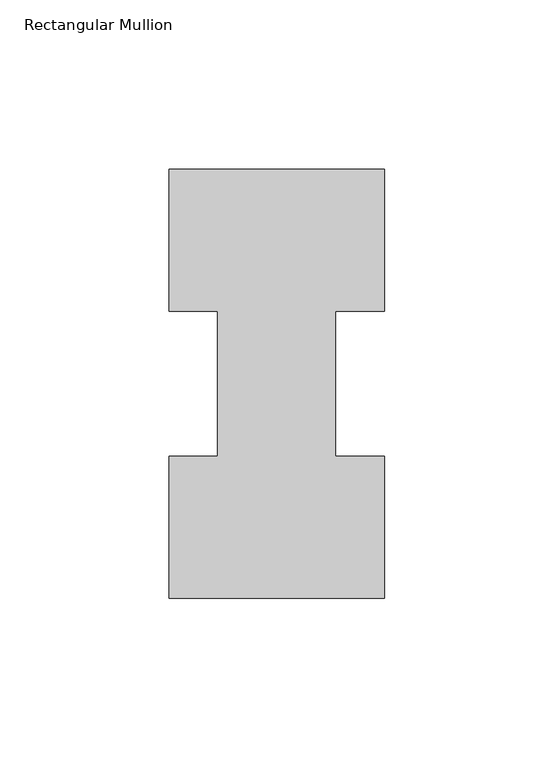
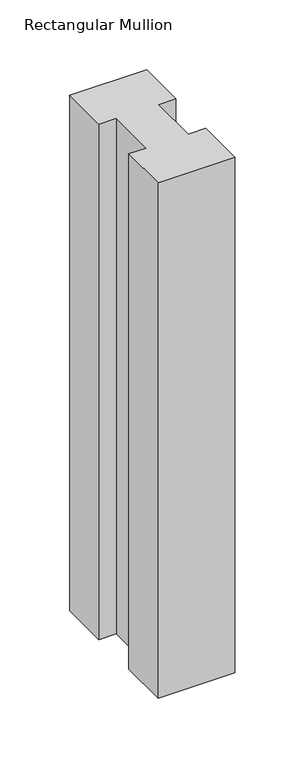
"""IFC4 building model written with IfcOpenShell, lengths in millimetres: member geometry, Rectangular Mullion."""

from ifc_helpers import new_model, si_unit, frame, origin, place, context, project, spatial, polyline, outline, extrude, source, transform, mapped, element, save


def rectangular_mullion_5ce7dc97(model_context):
    return source(origin(), model_context, "Body", "SweptSolid", [
        extrude(outline(polyline([(-63.5, -0.0373062), (-63.5, 41.7837937), (-49.2125, 41.7837937), (-49.2125, 84.6335938), (-63.5, 84.6335938), (-63.5, 126.4546937), (0.0, 126.4546938), (0.0, 84.6335938), (-14.4999808, 84.6335938), (-14.4999808, 41.7837937), (0.0, 41.7837937), (0.0, -0.0373062), (-63.5, -0.0373062)])), frame((0.0, 0.0, -450.85), z_axis=(0.0, 0.0, 1.0), x_axis=(1.0, 0.0, 0.0)), (0.0, 0.0, 1.0), 450.85),
    ])


if __name__ == "__main__":
    model = new_model("IFC4")
    model_context = context("Model", 3, world=origin())
    ifc_project = project(units=[si_unit("LENGTHUNIT", "METRE", prefix="MILLI")], contexts=[model_context])
    site = spatial("IfcSite", under=ifc_project)
    building = spatial("IfcBuilding", under=site)
    placement = place(None, origin())
    rectangular_mullion_shape = rectangular_mullion_5ce7dc97(model_context)
    element("IfcMember", 1, ObjectType="Rectangular Mullion", at=placement, inside=building, context=model_context, shape_type="MappedRepresentation", body=[
        mapped(rectangular_mullion_shape, transform((0.0, 0.0, 0.0), x_axis=(1.0, 0.0, 0.0), y_axis=(0.0, 1.0, 0.0), z_axis=(0.0, 0.0, 1.0))),
    ])
    save(model, "model.ifc")
